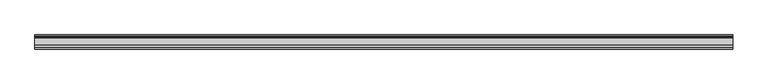
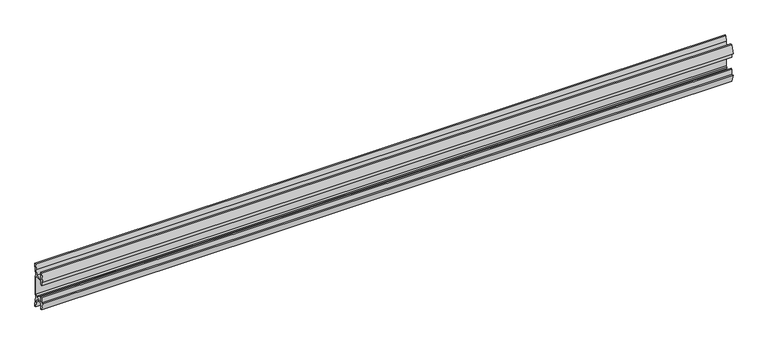
"""IFC4 building model written with IfcOpenShell, lengths in millimetres: furniture geometry."""

from ifc_helpers import new_model, si_unit, point, frame, frame_2d, origin, place, context, project, spatial, polyline, circle_curve, trimmed, segment, composite_curve, outline, extrude, source, transform, mapped, element, save


def furniture_748bc4cc(model_context):
    return source(origin(), model_context, "Body", "SweptSolid", [
        extrude(outline(composite_curve([segment(polyline([(11.858323, 875.8595986), (10.7166987, 869.9001626)]), True, "CONTINUOUS"), segment(trimmed(circle_curve(frame_2d((88.1501042, 855.066568)), 78.8414093), [point((10.7166987, 869.9001626))], [point((9.4546262, 859.8613112))], True, "CARTESIAN"), True, "CONTINUOUS"), segment(polyline([(9.4546262, 859.8613112), (11.4773198, 857.8386177), (11.4773198, 824.9113823), (9.4546262, 822.8886888)]), True, "CONTINUOUS"), segment(trimmed(circle_curve(frame_2d((88.1501042, 827.683432)), 78.8414093), [point((9.4546262, 822.8886888))], [point((10.7166987, 812.8498374))], True, "CARTESIAN"), True, "CONTINUOUS"), segment(polyline([(10.7166987, 812.8498374), (11.858323, 806.8904014), (11.858323, 803.2756449), (9.3183016, 803.2756449), (7.5671861, 812.416709), (6.9977776, 819.1104675), (-5.9218281, 819.1104675), (-5.9218281, 808.5455449), (-8.4618484, 808.5455449), (-11.7914971, 822.0540462), (-8.4618484, 821.0551511), (-8.4618484, 830.5802306), (-5.9218281, 830.5802306), (-5.9218281, 821.690155), (6.7782802, 821.690155), (6.7782802, 824.244689), (8.8976323, 826.0870136), (8.8976323, 856.6660348), (6.7782802, 858.5204685), (-5.2868484, 858.5204685), (-5.2868484, 852.1704144), (-8.4618484, 852.1704144), (-8.4618484, 861.6954939), (-11.858323, 860.4254837), (-8.4618484, 874.2051), (-5.2868484, 874.2051), (-5.2868484, 861.0604899), (6.7782802, 861.0604899), (7.5671861, 870.3345809), (9.3183016, 879.4756449), (11.858323, 879.4756449), (11.858323, 875.8595986)]), True, "CONTINUOUS")], self_intersect=False)), frame((-584.2, 0.0, 0.0), z_axis=(1.0, 0.0, 0.0), x_axis=(0.0, 1.0, 0.0)), (0.0, 0.0, 1.0), 1168.4),
    ])


if __name__ == "__main__":
    model = new_model("IFC4")
    model_context = context("Model", 3, world=origin())
    ifc_project = project(units=[si_unit("LENGTHUNIT", "METRE", prefix="MILLI")], contexts=[model_context])
    site = spatial("IfcSite", under=ifc_project)
    building = spatial("IfcBuilding", under=site)
    placement = place(None, origin())
    furniture_shape = furniture_748bc4cc(model_context)
    element("IfcFurniture", 1, at=placement, inside=building, context=model_context, shape_type="MappedRepresentation", body=[
        mapped(furniture_shape, transform((0.0, 0.0, 0.0), x_axis=(1.0, 0.0, 0.0), y_axis=(0.0, 1.0, 0.0), z_axis=(0.0, 0.0, 1.0))),
    ])
    save(model, "model.ifc")
